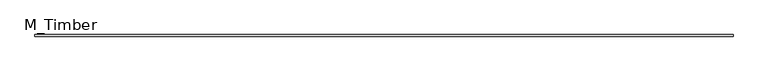
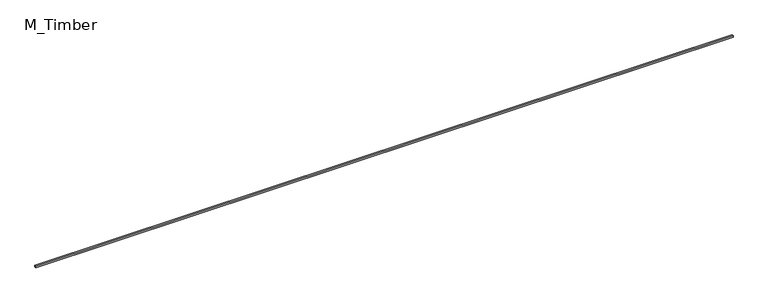
"""IFC4 building model written with IfcOpenShell, lengths in millimetres: beam geometry, M_Timber."""

from ifc_helpers import new_model, si_unit, frame, origin, place, context, project, spatial, polyline, outline, extrude, source, transform, mapped, element, save


def m_timber_ac528b2b(model_context):
    return source(origin(), model_context, "Body", "SweptSolid", [
        extrude(outline(polyline([(8347.9794268, 20.0), (8347.9794268, -20.0), (-8347.9794268, -20.0), (-8347.9794268, 20.0), (8347.9794268, 20.0)])), frame((0.0, 0.0, -20.0), z_axis=(0.0, 0.0, 1.0), x_axis=(1.0, 0.0, 0.0)), (0.0, 0.0, 1.0), 40.0),
    ])


if __name__ == "__main__":
    model = new_model("IFC4")
    model_context = context("Model", 3, world=origin())
    ifc_project = project(units=[si_unit("LENGTHUNIT", "METRE", prefix="MILLI")], contexts=[model_context])
    site = spatial("IfcSite", under=ifc_project)
    building = spatial("IfcBuilding", under=site)
    placement = place(None, origin())
    m_timber_shape = m_timber_ac528b2b(model_context)
    element("IfcBeam", 1, ObjectType="M_Timber", at=placement, inside=building, context=model_context, shape_type="MappedRepresentation", body=[
        mapped(m_timber_shape, transform((0.0, 0.0, 0.0), x_axis=(1.0, 0.0, 0.0), y_axis=(0.0, 1.0, 0.0), z_axis=(0.0, 0.0, 1.0))),
    ])
    save(model, "model.ifc")
